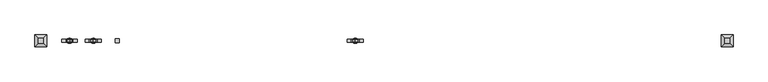
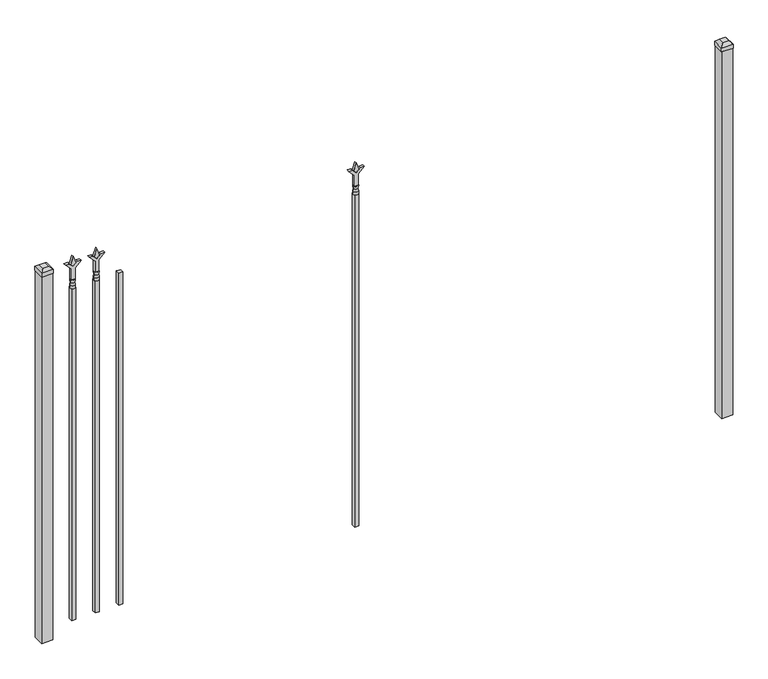
"""IFC4 building model written with IfcOpenShell, lengths in millimetres: railing geometry."""

from ifc_helpers import new_model, si_unit, frame, origin, origin_with_axes, place, context, project, spatial, polyline, circle_curve, outline, extrude, faceted_brep, source, transform, mapped, element, save
from ifc_brep_helpers import plane_surface, cylinder_surface, revolved_surface, advanced_brep


def railing_55d41785(model_context):
    return source(origin(), model_context, "Body", "SolidModel", [
        extrude(outline(polyline([(-67100.5347536, -625.7320174), (-67081.4847536, -625.7320174), (-67081.4847536, -644.7820174), (-67100.5347536, -644.7820174), (-67100.5347536, -625.7320174)])), frame((0.0, 0.0, 50.8), z_axis=(0.0, 0.0, 1.0), x_axis=(1.0, 0.0, 0.0)), (0.0, 0.0, 1.0), 1625.6),
        extrude(outline(polyline([(1793.08125, -67188.3764203), (1828.8, -67200.2826703), (1793.08125, -67212.1889203), (1781.175, -67200.2826703), (1793.08125, -67188.3764203)])), frame((0.0, -640.0195174, 0.0), z_axis=(0.0, 1.0, 0.0), x_axis=(0.0, 0.0, 1.0)), (0.0, 0.0, 1.0), 9.525),
        extrude(outline(polyline([(1717.675, -67191.5514203), (1771.9457378, -67191.5514203), (1799.1355122, -67164.3616458), (1799.1355122, -67182.3221581), (1781.175, -67200.2826703), (1799.1355122, -67218.2431825), (1799.1355122, -67236.2036948), (1771.9457378, -67209.0139203), (1717.675, -67209.0139203), (1717.675, -67191.5514203)])), frame((0.0, -641.6070174, 0.0), z_axis=(0.0, 1.0, 0.0), x_axis=(0.0, 0.0, 1.0)), (0.0, 0.0, 1.0), 12.7),
        advanced_brep(
        [(-67188.3764203, -635.2570174, 1689.1), (-67212.1889203, -635.2570174, 1689.1), (-67212.1889203, -635.2570174, 1676.4), (-67188.3764203, -635.2570174, 1676.4), (-67190.5817522, -635.2570174, 1701.6070585), (-67209.9835884, -635.2570174, 1701.6070585), (-67188.3764203, -635.2570174, 1717.675), (-67212.1889203, -635.2570174, 1717.675), (-67200.2826703, -635.2570174, 1717.675), (-67200.2826703, -635.2570174, 1676.4)],
        [
            (0, 1, circle_curve(frame((-67200.2826703, -635.2570174, 1689.1), z_axis=(0.0, 0.0, -1.0), x_axis=(-1.0, 0.0, 0.0)), 11.90625)),
            (1, 2),
            (2, 3, circle_curve(frame((-67200.2826703, -635.2570174, 1676.4), z_axis=(0.0, 0.0, 1.0), x_axis=(-1.0, 0.0, 0.0)), 11.90625)),
            (3, 0),
            (1, 0, circle_curve(frame((-67200.2826703, -635.2570174, 1689.1), z_axis=(0.0, 0.0, -1.0), x_axis=(-1.0, 0.0, 0.0)), 11.90625)),
            (3, 2, circle_curve(frame((-67200.2826703, -635.2570174, 1676.4), z_axis=(0.0, 0.0, 1.0), x_axis=(-1.0, 0.0, 0.0)), 11.90625)),
            (4, 5, circle_curve(frame((-67200.2826703, -635.2570174, 1701.6070585), z_axis=(0.0, 0.0, -1.0), x_axis=(-1.0, 0.0, 0.0)), 9.7009181)),
            (5, 1),
            (0, 4),
            (5, 4, circle_curve(frame((-67200.2826703, -635.2570174, 1701.6070585), z_axis=(0.0, 0.0, -1.0), x_axis=(-1.0, 0.0, 0.0)), 9.7009181)),
            (6, 7, circle_curve(frame((-67200.2826703, -635.2570174, 1717.675), z_axis=(0.0, 0.0, -1.0), x_axis=(-1.0, 0.0, 0.0)), 11.90625)),
            (7, 5),
            (4, 6),
            (7, 6, circle_curve(frame((-67200.2826703, -635.2570174, 1717.675), z_axis=(0.0, 0.0, -1.0), x_axis=(-1.0, 0.0, 0.0)), 11.90625)),
            (8, 7),
            (6, 8),
            (2, 9),
            (9, 3),
        ],
        [
            cylinder_surface(frame((-67200.2826703, -635.2570174, 1676.4), z_axis=(0.0, 0.0, 1.0), x_axis=(-1.0, 0.0, 0.0)), 11.90625),
            revolved_surface(polyline([(-67212.1889203, -635.2570174, 1689.1), (-67209.9835884, -635.2570174, 1701.6070585)]), (-67200.2826703, -635.2570174, 1676.4), (0.0, 0.0, 1.0)),
            revolved_surface(polyline([(-67209.9835884, -635.2570174, 1701.6070585), (-67212.1889203, -635.2570174, 1717.675)]), (-67200.2826703, -635.2570174, 1676.4), (0.0, 0.0, 1.0)),
            plane_surface(frame((-67200.2826703, -635.2570174, 1717.675), z_axis=(0.0, 0.0, 1.0), x_axis=(-1.0, 0.0, 0.0))),
            plane_surface(frame((-67200.2826703, -635.2570174, 1676.4), z_axis=(0.0, 0.0, -1.0), x_axis=(-1.0, 0.0, 0.0))),
        ],
        [
            (0, [[1, 2, 3, 4]]),
            (0, [[5, -4, 6, -2]]),
            (1, [[7, 8, -1, 9]]),
            (1, [[10, -9, -5, -8]]),
            (2, [[11, 12, -7, 13]]),
            (2, [[14, -13, -10, -12]]),
            (3, [[15, -11, 16]]),
            (3, [[-16, -14, -15]]),
            (4, [[-3, 17, 18]]),
            (4, [[-6, -18, -17]]),
        ],
    ),
        extrude(outline(polyline([(-67209.8076703, -625.7320174), (-67190.7576703, -625.7320174), (-67190.7576703, -644.7820174), (-67209.8076703, -644.7820174), (-67209.8076703, -625.7320174)])), frame((0.0, 0.0, 50.8), z_axis=(0.0, 0.0, 1.0), x_axis=(1.0, 0.0, 0.0)), (0.0, 0.0, 1.0), 1625.6),
        extrude(outline(polyline([(1793.08125, -65986.374337), (1828.8, -65998.280587), (1793.08125, -66010.186837), (1781.175, -65998.280587), (1793.08125, -65986.374337)])), frame((0.0, -640.0195174, 0.0), z_axis=(0.0, 1.0, 0.0), x_axis=(0.0, 0.0, 1.0)), (0.0, 0.0, 1.0), 9.525),
        extrude(outline(polyline([(1717.675, -65989.549337), (1771.9457378, -65989.549337), (1799.1355122, -65962.3595625), (1799.1355122, -65980.3200747), (1781.175, -65998.280587), (1799.1355122, -66016.2410992), (1799.1355122, -66034.2016114), (1771.9457378, -66007.011837), (1717.675, -66007.011837), (1717.675, -65989.549337)])), frame((0.0, -641.6070174, 0.0), z_axis=(0.0, 1.0, 0.0), x_axis=(0.0, 0.0, 1.0)), (0.0, 0.0, 1.0), 12.7),
        advanced_brep(
        [(-65986.374337, -635.2570174, 1689.1), (-66010.186837, -635.2570174, 1689.1), (-66010.186837, -635.2570174, 1676.4), (-65986.374337, -635.2570174, 1676.4), (-65988.5796688, -635.2570174, 1701.6070585), (-66007.9815051, -635.2570174, 1701.6070585), (-65986.374337, -635.2570174, 1717.675), (-66010.186837, -635.2570174, 1717.675), (-65998.280587, -635.2570174, 1717.675), (-65998.280587, -635.2570174, 1676.4)],
        [
            (0, 1, circle_curve(frame((-65998.280587, -635.2570174, 1689.1), z_axis=(0.0, 0.0, -1.0), x_axis=(-1.0, 0.0, 0.0)), 11.90625)),
            (1, 2),
            (2, 3, circle_curve(frame((-65998.280587, -635.2570174, 1676.4), z_axis=(0.0, 0.0, 1.0), x_axis=(-1.0, 0.0, 0.0)), 11.90625)),
            (3, 0),
            (1, 0, circle_curve(frame((-65998.280587, -635.2570174, 1689.1), z_axis=(0.0, 0.0, -1.0), x_axis=(-1.0, 0.0, 0.0)), 11.90625)),
            (3, 2, circle_curve(frame((-65998.280587, -635.2570174, 1676.4), z_axis=(0.0, 0.0, 1.0), x_axis=(-1.0, 0.0, 0.0)), 11.90625)),
            (4, 5, circle_curve(frame((-65998.280587, -635.2570174, 1701.6070585), z_axis=(0.0, 0.0, -1.0), x_axis=(-1.0, 0.0, 0.0)), 9.7009181)),
            (5, 1),
            (0, 4),
            (5, 4, circle_curve(frame((-65998.280587, -635.2570174, 1701.6070585), z_axis=(0.0, 0.0, -1.0), x_axis=(-1.0, 0.0, 0.0)), 9.7009181)),
            (6, 7, circle_curve(frame((-65998.280587, -635.2570174, 1717.675), z_axis=(0.0, 0.0, -1.0), x_axis=(-1.0, 0.0, 0.0)), 11.90625)),
            (7, 5),
            (4, 6),
            (7, 6, circle_curve(frame((-65998.280587, -635.2570174, 1717.675), z_axis=(0.0, 0.0, -1.0), x_axis=(-1.0, 0.0, 0.0)), 11.90625)),
            (8, 7),
            (6, 8),
            (2, 9),
            (9, 3),
        ],
        [
            cylinder_surface(frame((-65998.280587, -635.2570174, 1676.4), z_axis=(0.0, 0.0, 1.0), x_axis=(-1.0, 0.0, 0.0)), 11.90625),
            revolved_surface(polyline([(-66010.186837, -635.2570174, 1689.1), (-66007.9815051, -635.2570174, 1701.6070585)]), (-65998.280587, -635.2570174, 1676.4), (0.0, 0.0, 1.0)),
            revolved_surface(polyline([(-66007.9815051, -635.2570174, 1701.6070585), (-66010.186837, -635.2570174, 1717.675)]), (-65998.280587, -635.2570174, 1676.4), (0.0, 0.0, 1.0)),
            plane_surface(frame((-65998.280587, -635.2570174, 1717.675), z_axis=(0.0, 0.0, 1.0), x_axis=(-1.0, 0.0, 0.0))),
            plane_surface(frame((-65998.280587, -635.2570174, 1676.4), z_axis=(0.0, 0.0, -1.0), x_axis=(-1.0, 0.0, 0.0))),
        ],
        [
            (0, [[1, 2, 3, 4]]),
            (0, [[5, -4, 6, -2]]),
            (1, [[7, 8, -1, 9]]),
            (1, [[10, -9, -5, -8]]),
            (2, [[11, 12, -7, 13]]),
            (2, [[14, -13, -10, -12]]),
            (3, [[15, -11, 16]]),
            (3, [[-16, -14, -15]]),
            (4, [[-3, 17, 18]]),
            (4, [[-6, -18, -17]]),
        ],
    ),
        extrude(outline(polyline([(-66007.805587, -625.7320174), (-65988.755587, -625.7320174), (-65988.755587, -644.7820174), (-66007.805587, -644.7820174), (-66007.805587, -625.7320174)])), frame((0.0, 0.0, 50.8), z_axis=(0.0, 0.0, 1.0), x_axis=(1.0, 0.0, 0.0)), (0.0, 0.0, 1.0), 1625.6),
        extrude(outline(polyline([(1793.08125, -67297.649337), (1828.8, -67309.555587), (1793.08125, -67321.461837), (1781.175, -67309.555587), (1793.08125, -67297.649337)])), frame((0.0, -640.0195174, 0.0), z_axis=(0.0, 1.0, 0.0), x_axis=(0.0, 0.0, 1.0)), (0.0, 0.0, 1.0), 9.525),
        extrude(outline(polyline([(1717.675, -67300.824337), (1771.9457378, -67300.824337), (1799.1355122, -67273.6345625), (1799.1355122, -67291.5950747), (1781.175, -67309.555587), (1799.1355122, -67327.5160992), (1799.1355122, -67345.4766114), (1771.9457378, -67318.286837), (1717.675, -67318.286837), (1717.675, -67300.824337)])), frame((0.0, -641.6070174, 0.0), z_axis=(0.0, 1.0, 0.0), x_axis=(0.0, 0.0, 1.0)), (0.0, 0.0, 1.0), 12.7),
        advanced_brep(
        [(-67297.649337, -635.2570174, 1689.1), (-67321.461837, -635.2570174, 1689.1), (-67321.461837, -635.2570174, 1676.4), (-67297.649337, -635.2570174, 1676.4), (-67299.8546688, -635.2570174, 1701.6070585), (-67319.2565051, -635.2570174, 1701.6070585), (-67297.649337, -635.2570174, 1717.675), (-67321.461837, -635.2570174, 1717.675), (-67309.555587, -635.2570174, 1717.675), (-67309.555587, -635.2570174, 1676.4)],
        [
            (0, 1, circle_curve(frame((-67309.555587, -635.2570174, 1689.1), z_axis=(0.0, 0.0, -1.0), x_axis=(-1.0, 0.0, 0.0)), 11.90625)),
            (1, 2),
            (2, 3, circle_curve(frame((-67309.555587, -635.2570174, 1676.4), z_axis=(0.0, 0.0, 1.0), x_axis=(-1.0, 0.0, 0.0)), 11.90625)),
            (3, 0),
            (1, 0, circle_curve(frame((-67309.555587, -635.2570174, 1689.1), z_axis=(0.0, 0.0, -1.0), x_axis=(-1.0, 0.0, 0.0)), 11.90625)),
            (3, 2, circle_curve(frame((-67309.555587, -635.2570174, 1676.4), z_axis=(0.0, 0.0, 1.0), x_axis=(-1.0, 0.0, 0.0)), 11.90625)),
            (4, 5, circle_curve(frame((-67309.555587, -635.2570174, 1701.6070585), z_axis=(0.0, 0.0, -1.0), x_axis=(-1.0, 0.0, 0.0)), 9.7009181)),
            (5, 1),
            (0, 4),
            (5, 4, circle_curve(frame((-67309.555587, -635.2570174, 1701.6070585), z_axis=(0.0, 0.0, -1.0), x_axis=(-1.0, 0.0, 0.0)), 9.7009181)),
            (6, 7, circle_curve(frame((-67309.555587, -635.2570174, 1717.675), z_axis=(0.0, 0.0, -1.0), x_axis=(-1.0, 0.0, 0.0)), 11.90625)),
            (7, 5),
            (4, 6),
            (7, 6, circle_curve(frame((-67309.555587, -635.2570174, 1717.675), z_axis=(0.0, 0.0, -1.0), x_axis=(-1.0, 0.0, 0.0)), 11.90625)),
            (8, 7),
            (6, 8),
            (2, 9),
            (9, 3),
        ],
        [
            cylinder_surface(frame((-67309.555587, -635.2570174, 1676.4), z_axis=(0.0, 0.0, 1.0), x_axis=(-1.0, 0.0, 0.0)), 11.90625),
            revolved_surface(polyline([(-67321.461837, -635.2570174, 1689.1), (-67319.2565051, -635.2570174, 1701.6070585)]), (-67309.555587, -635.2570174, 1676.4), (0.0, 0.0, 1.0)),
            revolved_surface(polyline([(-67319.2565051, -635.2570174, 1701.6070585), (-67321.461837, -635.2570174, 1717.675)]), (-67309.555587, -635.2570174, 1676.4), (0.0, 0.0, 1.0)),
            plane_surface(frame((-67309.555587, -635.2570174, 1717.675), z_axis=(0.0, 0.0, 1.0), x_axis=(-1.0, 0.0, 0.0))),
            plane_surface(frame((-67309.555587, -635.2570174, 1676.4), z_axis=(0.0, 0.0, -1.0), x_axis=(-1.0, 0.0, 0.0))),
        ],
        [
            (0, [[1, 2, 3, 4]]),
            (0, [[5, -4, 6, -2]]),
            (1, [[7, 8, -1, 9]]),
            (1, [[10, -9, -5, -8]]),
            (2, [[11, 12, -7, 13]]),
            (2, [[14, -13, -10, -12]]),
            (3, [[15, -11, 16]]),
            (3, [[-16, -14, -15]]),
            (4, [[-3, 17, 18]]),
            (4, [[-6, -18, -17]]),
        ],
    ),
        extrude(outline(polyline([(-67319.080587, -625.7320174), (-67300.030587, -625.7320174), (-67300.030587, -644.7820174), (-67319.080587, -644.7820174), (-67319.080587, -625.7320174)])), frame((0.0, 0.0, 50.8), z_axis=(0.0, 0.0, 1.0), x_axis=(1.0, 0.0, 0.0)), (0.0, 0.0, 1.0), 1625.6),
        extrude(outline(polyline([(-64266.318087, -609.8570174), (-64266.318087, -660.6570174), (-64317.118087, -660.6570174), (-64317.118087, -609.8570174), (-64266.318087, -609.8570174)])), origin_with_axes(), (0.0, 0.0, 1.0), 1797.05),
        faceted_brep([(-64318.705587, -608.2695174, 1816.1), (-64318.705587, -608.2695174, 1797.05), (-64318.705587, -662.2445174, 1797.05), (-64318.705587, -662.2445174, 1816.1), (-64306.005587, -620.9695174, 1828.8), (-64306.005587, -649.5445174, 1828.8), (-64264.730587, -662.2445174, 1797.05), (-64264.730587, -662.2445174, 1816.1), (-64277.430587, -649.5445174, 1828.8), (-64264.730587, -608.2695174, 1797.05), (-64264.730587, -608.2695174, 1816.1), (-64277.430587, -620.9695174, 1828.8)], [[[0, 1, 2, 3]], [[4, 0, 3, 5]], [[3, 2, 6, 7]], [[5, 3, 7, 8]], [[7, 6, 9, 10]], [[8, 7, 10, 11]], [[10, 9, 1, 0]], [[11, 10, 0, 4]], [[5, 8, 11, 4]], [[1, 9, 6, 2]]]),
        extrude(outline(polyline([(-67415.918087, -609.8570174), (-67415.918087, -660.6570174), (-67466.718087, -660.6570174), (-67466.718087, -609.8570174), (-67415.918087, -609.8570174)])), origin_with_axes(), (0.0, 0.0, 1.0), 1797.05),
        faceted_brep([(-67468.305587, -608.2695174, 1816.1), (-67468.305587, -608.2695174, 1797.05), (-67468.305587, -662.2445174, 1797.05), (-67468.305587, -662.2445174, 1816.1), (-67455.605587, -620.9695174, 1828.8), (-67455.605587, -649.5445174, 1828.8), (-67414.330587, -662.2445174, 1797.05), (-67414.330587, -662.2445174, 1816.1), (-67427.030587, -649.5445174, 1828.8), (-67414.330587, -608.2695174, 1797.05), (-67414.330587, -608.2695174, 1816.1), (-67427.030587, -620.9695174, 1828.8)], [[[0, 1, 2, 3]], [[4, 0, 3, 5]], [[3, 2, 6, 7]], [[5, 3, 7, 8]], [[7, 6, 9, 10]], [[8, 7, 10, 11]], [[10, 9, 1, 0]], [[11, 10, 0, 4]], [[5, 8, 11, 4]], [[1, 9, 6, 2]]]),
    ])


if __name__ == "__main__":
    model = new_model("IFC4")
    model_context = context("Model", 3, world=origin())
    ifc_project = project(units=[si_unit("LENGTHUNIT", "METRE", prefix="MILLI")], contexts=[model_context])
    site = spatial("IfcSite", under=ifc_project)
    building = spatial("IfcBuilding", under=site)
    placement = place(None, origin())
    railing_shape = railing_55d41785(model_context)
    element("IfcRailing", 1, at=placement, inside=building, context=model_context, shape_type="MappedRepresentation", body=[
        mapped(railing_shape, transform((0.0, 0.0, 0.0), x_axis=(1.0, 0.0, 0.0), y_axis=(0.0, 1.0, 0.0), z_axis=(0.0, 0.0, 1.0))),
    ])
    save(model, "model.ifc")
